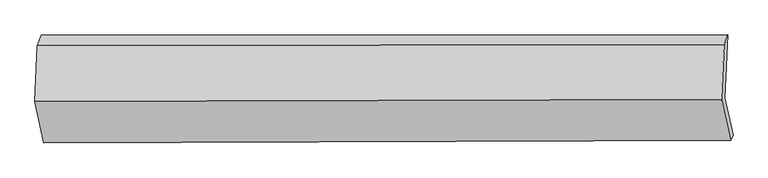
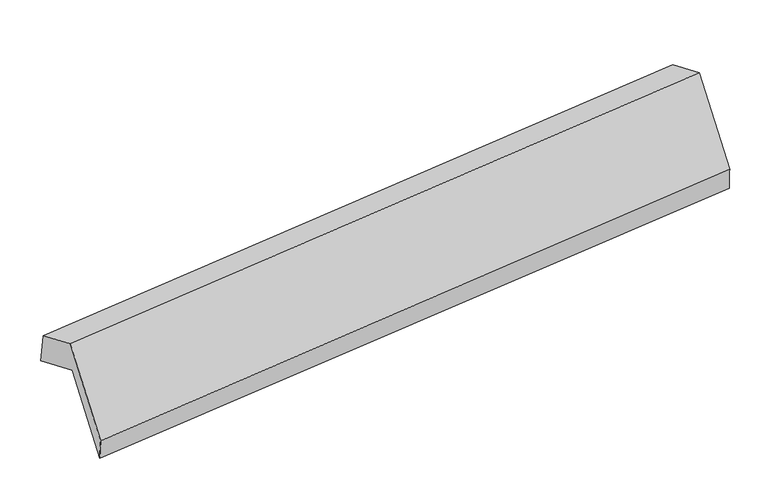
"""IFC4 building model written with IfcOpenShell, lengths in millimetres: proxy geometry."""

from ifc_helpers import new_model, si_unit, frame, origin, place, context, project, spatial, source, transform, mapped, element, save
from ifc_brep_helpers import plane_surface, spline_surface, advanced_brep


def generic_models_906a071d(model_context):
    return source(origin(), model_context, "Body", "AdvancedBrep", [
        advanced_brep(
        [(-5238.6615792, -1551.5285495, 1832.488993), (-5218.2112553, -1106.9728055, 1630.2282366), (-492.2595095, -1105.2261117, 2112.3163913), (-512.2843143, -1540.5317833, 2310.3686166), (-5182.5719893, -1809.7094353, 1270.6956548), (-456.1947244, -1798.712669, 1748.5752785), (-5199.4991685, -1850.3348137, 1439.6728101), (-474.0253822, -1835.1793274, 1926.6016754), (-5261.1672126, -1566.4762532, 2057.3399461), (-535.6934263, -1551.3207669, 2544.2688114), (-5243.4250201, -1180.7907433, 1881.863543), (-518.2375804, -1171.8599514, 2371.6244747)],
        [
            (0, 1),
            (1, 2),
            (2, 3),
            (3, 0),
            (4, 0),
            (3, 5),
            (5, 4),
            (6, 4),
            (5, 7),
            (7, 6),
            (8, 6),
            (7, 9),
            (9, 8),
            (10, 8),
            (9, 11),
            (11, 10),
            (1, 10),
            (11, 2),
        ],
        [
            plane_surface(frame((-5228.4364172, -1329.2506775, 1731.3586148), z_axis=(0.0924422507466752, -0.4158720831859475, -0.904712573530107), x_axis=(0.041835013450651756, 0.9094230313948536, -0.41376271173001916))),
            plane_surface(frame((-5210.6167842, -1680.6189924, 1551.5923239), z_axis=(0.039740328575972976, 0.9094220162276331, -0.41397137906519654), x_axis=(-0.09034785873952718, 0.4158720048297194, 0.9049241625794354))),
            spline_surface(1, 1, [[(-5199.4991685, -1850.3348137, 1439.6728101), (-474.0253822, -1835.1793274, 1926.6016754)], [(-5182.5719893, -1809.7094353, 1270.6956548), (-456.1947244, -1798.712669, 1748.5752785)]], [2, 2], [2, 2], [0.0, 1.0], [0.0, 1.0]),
            plane_surface(frame((-5230.3331906, -1708.4055335, 1748.5063781), z_axis=(-0.039740328575971255, -0.9094220162276373, 0.4139713790651874), x_axis=(0.09034785873952772, -0.4158720048297101, -0.9049241625794395))),
            plane_surface(frame((-5252.2961164, -1373.6334982, 1969.6017446), z_axis=(-0.09453621456338863, 0.4158703187337287, 0.9044969774036462), x_axis=(-0.04183501345065174, -0.9094230313948537, 0.41376271173001916))),
            spline_surface(1, 1, [[(-5218.2112553, -1106.9728055, 1630.2282366), (-492.2595095, -1105.2261117, 2112.3163913)], [(-5243.4250201, -1180.7907433, 1881.863543), (-518.2375804, -1171.8599514, 2371.6244747)]], [2, 2], [2, 2], [0.0, 1.0], [0.0, 1.0]),
            plane_surface(frame((-498.1158228, -1500.4717683, 2168.959208), z_axis=(0.9950312035663835, -0.00047493948226868393, 0.09956243449073837), x_axis=(0.09034785873952772, -0.4158720048297101, -0.9049241625794395))),
            plane_surface(frame((-5223.9227042, -1510.9687668, 1685.3815306), z_axis=(-0.9950312035663835, 0.0004749394822593164, -0.0995624344907389), x_axis=(-0.04183501345064979, -0.9094230313948536, 0.41376271173001933))),
        ],
        [
            (0, [[1, 2, 3, 4]]),
            (1, [[5, -4, 6, 7]]),
            (2, [[8, -7, 9, 10]]),
            (3, [[11, -10, 12, 13]]),
            (4, [[14, -13, 15, 16]]),
            (5, [[17, -16, 18, -2]]),
            (6, [[-12, -9, -6, -3, -18, -15]]),
            (7, [[-1, -5, -8, -11, -14, -17]]),
        ],
    ),
    ])


if __name__ == "__main__":
    model = new_model("IFC4")
    model_context = context("Model", 3, world=origin())
    ifc_project = project(units=[si_unit("LENGTHUNIT", "METRE", prefix="MILLI")], contexts=[model_context])
    site = spatial("IfcSite", under=ifc_project)
    building = spatial("IfcBuilding", under=site)
    placement = place(None, origin())
    generic_models_shape = generic_models_906a071d(model_context)
    element("IfcBuildingElementProxy", 1, Name="Generic Models", at=placement, inside=building, context=model_context, shape_type="MappedRepresentation", body=[
        mapped(generic_models_shape, transform((0.0, 0.0, 0.0), x_axis=(1.0, 0.0, 0.0), y_axis=(0.0, 1.0, 0.0), z_axis=(0.0, 0.0, 1.0))),
    ])
    save(model, "model.ifc")
